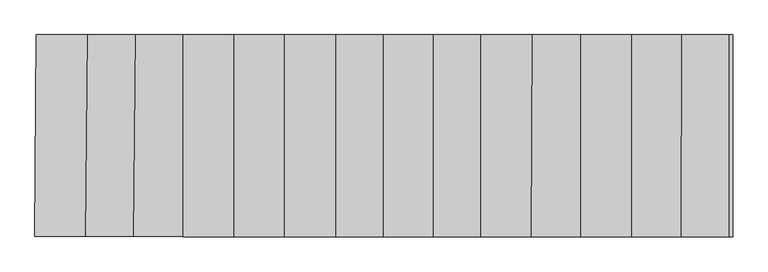
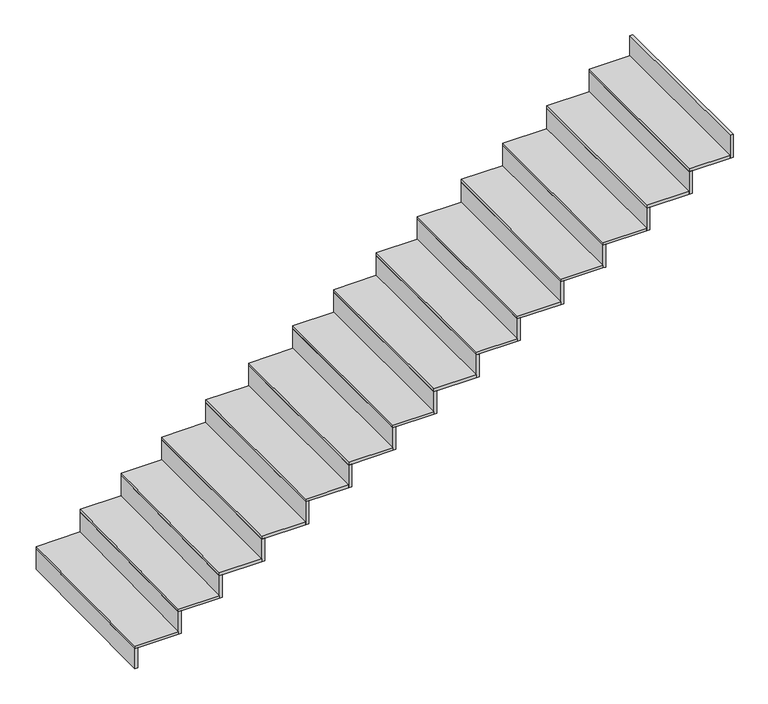
"""IFC4 building model written with IfcOpenShell, lengths in millimetres: stair flight geometry."""

from ifc_helpers import new_model, si_unit, frame, origin, place, context, project, spatial, polyline, outline, extrude, source, transform, mapped, element, save


def stair_flight_d2e97323(model_context):
    return source(origin(), model_context, "Body", "SweptSolid", [
        extrude(outline(polyline([(-42117.8443264, 700.5257292), (-42137.8446549, 700.5451398), (-42129.8248033, 1882.7341774), (-42109.8243431, 1882.7341774), (-42117.8443264, 700.5257292)])), frame((0.0, 0.0, -2396.5), z_axis=(0.0, 0.0, 1.0), x_axis=(1.0, 0.0, 0.0)), (0.0, 0.0, 1.0), 143.5197413),
        extrude(outline(polyline([(-41827.9244459, 1882.7341774), (-41839.6078465, 700.2556964), (-42137.8446549, 700.5451398), (-42129.8248033, 1882.7341774), (-41827.9244459, 1882.7341774)])), frame((0.0, 0.0, -2252.9802587), z_axis=(0.0, 0.0, 1.0), x_axis=(1.0, 0.0, 0.0)), (0.0, 0.0, 1.0), 20.0),
        extrude(outline(polyline([(-41819.6070621, 700.2362853), (-41839.6078465, 700.2556964), (-41827.9244459, 1882.7341774), (-41807.9234697, 1882.7341774), (-41819.6070621, 700.2362853)])), frame((0.0, 0.0, -2252.9802587), z_axis=(0.0, 0.0, 1.0), x_axis=(1.0, 0.0, 0.0)), (0.0, 0.0, 1.0), 163.5197413),
        extrude(outline(polyline([(-41547.9774622, 1882.7341774), (-41559.3150267, 699.9836678), (-41839.6078465, 700.2556964), (-41827.9244459, 1882.7341774), (-41547.9774622, 1882.7341774)])), frame((0.0, 0.0, -2089.4605175), z_axis=(0.0, 0.0, 1.0), x_axis=(1.0, 0.0, 0.0)), (0.0, 0.0, 1.0), 20.0),
        extrude(outline(polyline([(-41539.3142939, 699.9642568), (-41559.3150267, 699.9836678), (-41547.9774622, 1882.7341774), (-41527.9765433, 1882.7341774), (-41539.3142939, 699.9642568)])), frame((0.0, 0.0, -2089.4605175), z_axis=(0.0, 0.0, 1.0), x_axis=(1.0, 0.0, 0.0)), (0.0, 0.0, 1.0), 163.5197413),
        extrude(outline(polyline([(-41270.1462864, 1882.7341774), (-41270.1462864, 699.7030251), (-41559.3150267, 699.9836678), (-41547.9774622, 1882.7341774), (-41270.1462864, 1882.7341774)])), frame((0.0, 0.0, -1925.9407762), z_axis=(0.0, 0.0, 1.0), x_axis=(1.0, 0.0, 0.0)), (0.0, 0.0, 1.0), 20.0),
        extrude(outline(polyline([(-41250.1462864, 699.6836148), (-41270.1462864, 699.7030251), (-41270.1462864, 1882.7341774), (-41250.1462864, 1882.7341774), (-41250.1462864, 699.6836148)])), frame((0.0, 0.0, -1925.9407762), z_axis=(0.0, 0.0, 1.0), x_axis=(1.0, 0.0, 0.0)), (0.0, 0.0, 1.0), 163.5197413),
        extrude(outline(polyline([(-40970.1462864, 1882.7341774), (-40970.1462864, 699.4118704), (-41270.1462864, 699.7030251), (-41270.1462864, 1882.7341774), (-40970.1462864, 1882.7341774)])), frame((0.0, 0.0, -1762.421035), z_axis=(0.0, 0.0, 1.0), x_axis=(1.0, 0.0, 0.0)), (0.0, 0.0, 1.0), 20.0),
        extrude(outline(polyline([(-40950.1462864, 699.3924601), (-40970.1462864, 699.4118704), (-40970.1462864, 1882.7341774), (-40950.1462864, 1882.7341774), (-40950.1462864, 699.3924601)])), frame((0.0, 0.0, -1762.421035), z_axis=(0.0, 0.0, 1.0), x_axis=(1.0, 0.0, 0.0)), (0.0, 0.0, 1.0), 163.5197413),
        extrude(outline(polyline([(-40676.3436702, 1882.7341774), (-40676.3436702, 699.1267304), (-40970.1462864, 699.4118704), (-40970.1462864, 1882.7341774), (-40676.3436702, 1882.7341774)])), frame((0.0, 0.0, -1598.9012937), z_axis=(0.0, 0.0, 1.0), x_axis=(1.0, 0.0, 0.0)), (0.0, 0.0, 1.0), 20.0),
        extrude(outline(polyline([(-40656.3436702, 699.1073201), (-40676.3436702, 699.1267304), (-40676.3436702, 1882.7341774), (-40656.3436702, 1882.7341774), (-40656.3436702, 699.1073201)])), frame((0.0, 0.0, -1598.9012937), z_axis=(0.0, 0.0, 1.0), x_axis=(1.0, 0.0, 0.0)), (0.0, 0.0, 1.0), 163.5197413),
        extrude(outline(polyline([(-40374.1570986, 1882.7341774), (-40374.1570986, 698.8334536), (-40676.3436702, 699.1267304), (-40676.3436702, 1882.7341774), (-40374.1570986, 1882.7341774)])), frame((0.0, 0.0, -1435.3815524), z_axis=(0.0, 0.0, 1.0), x_axis=(1.0, 0.0, 0.0)), (0.0, 0.0, 1.0), 20.0),
        extrude(outline(polyline([(-40354.1570986, 698.8140433), (-40374.1570986, 698.8334536), (-40374.1570986, 1882.7341774), (-40354.1570986, 1882.7341774), (-40354.1570986, 698.8140433)])), frame((0.0, 0.0, -1435.3815524), z_axis=(0.0, 0.0, 1.0), x_axis=(1.0, 0.0, 0.0)), (0.0, 0.0, 1.0), 163.5197413),
        extrude(outline(polyline([(-40094.1570986, 1882.7341774), (-40094.1570986, 698.5617093), (-40374.1570986, 698.8334536), (-40374.1570986, 1882.7341774), (-40094.1570986, 1882.7341774)])), frame((0.0, 0.0, -1271.8618112), z_axis=(0.0, 0.0, 1.0), x_axis=(1.0, 0.0, 0.0)), (0.0, 0.0, 1.0), 20.0),
        extrude(outline(polyline([(-40074.1570986, 698.542299), (-40094.1570986, 698.5617093), (-40094.1570986, 1882.7341774), (-40074.1570986, 1882.7341774), (-40074.1570986, 698.542299)])), frame((0.0, 0.0, -1271.8618112), z_axis=(0.0, 0.0, 1.0), x_axis=(1.0, 0.0, 0.0)), (0.0, 0.0, 1.0), 163.5197413),
        extrude(outline(polyline([(-39803.5054364, 1882.7341774), (-39803.5054364, 698.2796273), (-40094.1570986, 698.5617093), (-40094.1570986, 1882.7341774), (-39803.5054364, 1882.7341774)])), frame((0.0, 0.0, -1108.3420699), z_axis=(0.0, 0.0, 1.0), x_axis=(1.0, 0.0, 0.0)), (0.0, 0.0, 1.0), 20.0),
        extrude(outline(polyline([(-39783.5054364, 698.260217), (-39803.5054364, 698.2796273), (-39803.5054364, 1882.7341774), (-39783.5054364, 1882.7341774), (-39783.5054364, 698.260217)])), frame((0.0, 0.0, -1108.3420699), z_axis=(0.0, 0.0, 1.0), x_axis=(1.0, 0.0, 0.0)), (0.0, 0.0, 1.0), 163.5197413),
        extrude(outline(polyline([(-39523.5054364, 1882.7341774), (-39523.5054364, 698.007883), (-39803.5054364, 698.2796273), (-39803.5054364, 1882.7341774), (-39523.5054364, 1882.7341774)])), frame((0.0, 0.0, -944.8223286), z_axis=(0.0, 0.0, 1.0), x_axis=(1.0, 0.0, 0.0)), (0.0, 0.0, 1.0), 20.0),
        extrude(outline(polyline([(-39503.5054364, 697.9884727), (-39523.5054364, 698.007883), (-39523.5054364, 1882.7341774), (-39503.5054364, 1882.7341774), (-39503.5054364, 697.9884727)])), frame((0.0, 0.0, -944.8223286), z_axis=(0.0, 0.0, 1.0), x_axis=(1.0, 0.0, 0.0)), (0.0, 0.0, 1.0), 163.5197413),
        extrude(outline(polyline([(-39222.5705294, 1882.7341774), (-39227.4537816, 697.7205602), (-39523.5054364, 698.007883), (-39523.5054364, 1882.7341774), (-39222.5705294, 1882.7341774)])), frame((0.0, 0.0, -781.3025874), z_axis=(0.0, 0.0, 1.0), x_axis=(1.0, 0.0, 0.0)), (0.0, 0.0, 1.0), 20.0),
        extrude(outline(polyline([(-39207.4536918, 697.7011498), (-39227.4537816, 697.7205602), (-39222.5705294, 1882.7341774), (-39202.5703596, 1882.7341774), (-39207.4536918, 697.7011498)])), frame((0.0, 0.0, -781.3025874), z_axis=(0.0, 0.0, 1.0), x_axis=(1.0, 0.0, 0.0)), (0.0, 0.0, 1.0), 163.5197413),
        extrude(outline(polyline([(-38940.2156056, 1882.7341774), (-38940.2156056, 697.4417911), (-39227.4537816, 697.7205602), (-39222.5705294, 1882.7341774), (-38940.2156056, 1882.7341774)])), frame((0.0, 0.0, -617.7828461), z_axis=(0.0, 0.0, 1.0), x_axis=(1.0, 0.0, 0.0)), (0.0, 0.0, 1.0), 20.0),
        extrude(outline(polyline([(-38920.2156056, 697.4223808), (-38940.2156056, 697.4417911), (-38940.2156056, 1882.7341774), (-38920.2156056, 1882.7341774), (-38920.2156056, 697.4223808)])), frame((0.0, 0.0, -617.7828461), z_axis=(0.0, 0.0, 1.0), x_axis=(1.0, 0.0, 0.0)), (0.0, 0.0, 1.0), 163.5197413),
        extrude(outline(polyline([(-38640.2156056, 1882.7341774), (-38640.2156056, 697.1506365), (-38940.2156056, 697.4417911), (-38940.2156056, 1882.7341774), (-38640.2156056, 1882.7341774)])), frame((0.0, 0.0, -454.2631049), z_axis=(0.0, 0.0, 1.0), x_axis=(1.0, 0.0, 0.0)), (0.0, 0.0, 1.0), 20.0),
        extrude(outline(polyline([(-38620.2156056, 697.1312261), (-38640.2156056, 697.1506365), (-38640.2156056, 1882.7341774), (-38620.2156056, 1882.7341774), (-38620.2156056, 697.1312261)])), frame((0.0, 0.0, -454.2631049), z_axis=(0.0, 0.0, 1.0), x_axis=(1.0, 0.0, 0.0)), (0.0, 0.0, 1.0), 163.5197413),
        extrude(outline(polyline([(-38346.9161066, 1882.7341774), (-38349.8467812, 696.868829), (-38640.2156056, 697.1506365), (-38640.2156056, 1882.7341774), (-38346.9161066, 1882.7341774)])), frame((0.0, 0.0, -290.7433636), z_axis=(0.0, 0.0, 1.0), x_axis=(1.0, 0.0, 0.0)), (0.0, 0.0, 1.0), 20.0),
        extrude(outline(polyline([(-38329.8467681, 696.8494187), (-38349.8467812, 696.868829), (-38346.9161066, 1882.7341774), (-38326.9160455, 1882.7341774), (-38329.8467681, 696.8494187)])), frame((0.0, 0.0, -290.7433636), z_axis=(0.0, 0.0, 1.0), x_axis=(1.0, 0.0, 0.0)), (0.0, 0.0, 1.0), 163.5197413),
        extrude(outline(polyline([(-38049.8248033, 696.577653), (-38069.8248033, 696.5970633), (-38069.8248033, 1882.7341774), (-38049.8248033, 1882.7341774), (-38049.8248033, 696.577653)])), frame((0.0, 0.0, -127.2236223), z_axis=(0.0, 0.0, 1.0), x_axis=(1.0, 0.0, 0.0)), (0.0, 0.0, 1.0), 163.5197413),
        extrude(outline(polyline([(-38069.8248033, 1882.7341774), (-38069.8248033, 696.5970633), (-38349.8467812, 696.868829), (-38346.9161066, 1882.7341774), (-38069.8248033, 1882.7341774)])), frame((0.0, 0.0, -127.2236223), z_axis=(0.0, 0.0, 1.0), x_axis=(1.0, 0.0, 0.0)), (0.0, 0.0, 1.0), 20.0),
    ])


if __name__ == "__main__":
    model = new_model("IFC4")
    model_context = context("Model", 3, world=origin())
    ifc_project = project(units=[si_unit("LENGTHUNIT", "METRE", prefix="MILLI")], contexts=[model_context])
    site = spatial("IfcSite", under=ifc_project)
    building = spatial("IfcBuilding", under=site)
    placement = place(None, origin())
    stair_flight_shape = stair_flight_d2e97323(model_context)
    element("IfcStairFlight", 1, at=placement, inside=building, context=model_context, shape_type="MappedRepresentation", body=[
        mapped(stair_flight_shape, transform((0.0, 0.0, 0.0), x_axis=(1.0, 0.0, 0.0), y_axis=(0.0, 1.0, 0.0), z_axis=(0.0, 0.0, 1.0))),
    ])
    save(model, "model.ifc")
